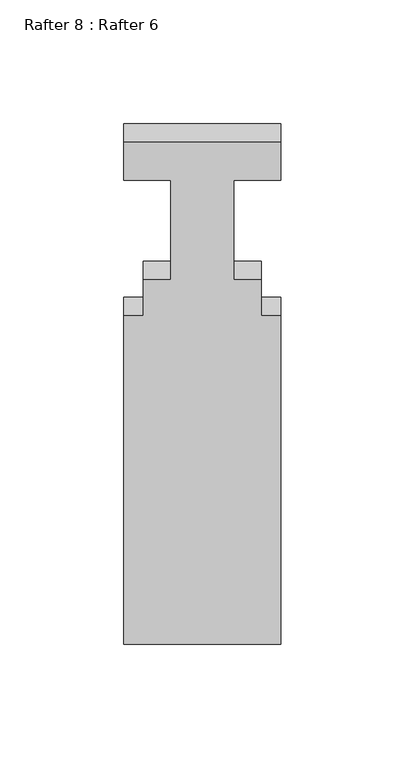
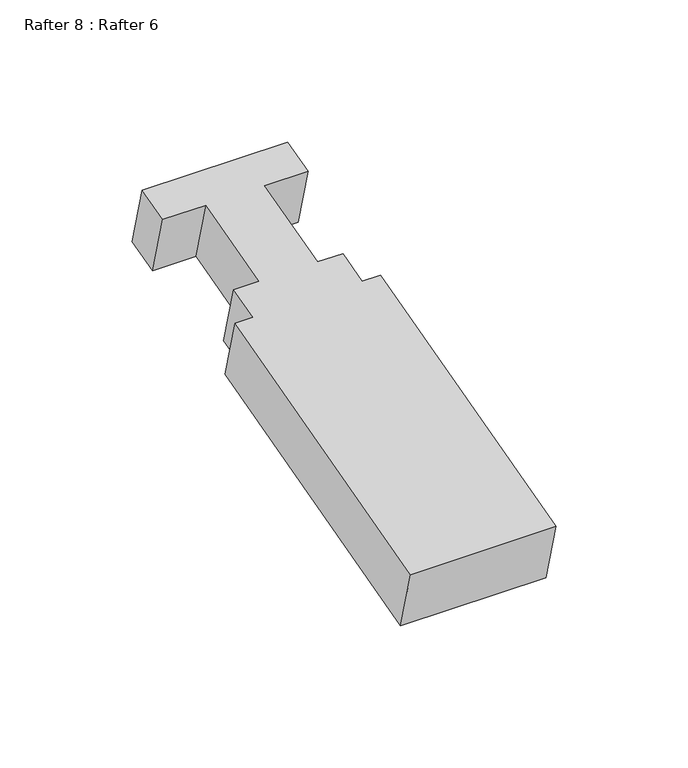
"""IFC4 building model written with IfcOpenShell, lengths in millimetres: proxy geometry, Rafter 8 : Rafter 6."""

from ifc_helpers import new_model, si_unit, frame, origin, place, context, project, spatial, polyline, outline, extrude, source, transform, mapped, element, save


def rafter_8_rafter_6_878d645e(model_context):
    return source(origin(), model_context, "Body", "SweptSolid", [
        extrude(outline(polyline([(0.0, 0.0), (15.875, 0.0), (15.875, -19.05), (57.531, -19.05), (57.531, -7.9248), (72.5932, -7.9248), (72.5932, 0.0), (209.931, 0.0), (209.931, -63.5), (72.5932, -63.5), (72.5932, -55.5752), (57.531, -55.5752), (57.531, -44.45), (15.875, -44.45), (15.875, -63.5), (0.0, -63.5), (0.0, 0.0)])), frame((-2114.0232944, 6090.4303257, 927.2215027), z_axis=(0.0, -0.2588190451025275, 0.9659258262890665), x_axis=(0.0, -0.9659258262890665, -0.2588190451025275)), (0.0, 0.0, 1.0), 29.1531507),
    ])


if __name__ == "__main__":
    model = new_model("IFC4")
    model_context = context("Model", 3, world=origin())
    ifc_project = project(units=[si_unit("LENGTHUNIT", "METRE", prefix="MILLI")], contexts=[model_context])
    site = spatial("IfcSite", under=ifc_project)
    building = spatial("IfcBuilding", under=site)
    placement = place(None, origin())
    rafter_8_rafter_6_shape = rafter_8_rafter_6_878d645e(model_context)
    element("IfcBuildingElementProxy", 1, Name="Rafter 8 : Rafter 6", ObjectType="Rafter 8 : Rafter 6", at=placement, inside=building, context=model_context, shape_type="MappedRepresentation", body=[
        mapped(rafter_8_rafter_6_shape, transform((0.0, 0.0, 0.0), x_axis=(1.0, 0.0, 0.0), y_axis=(0.0, 1.0, 0.0), z_axis=(0.0, 0.0, 1.0))),
    ])
    save(model, "model.ifc")
